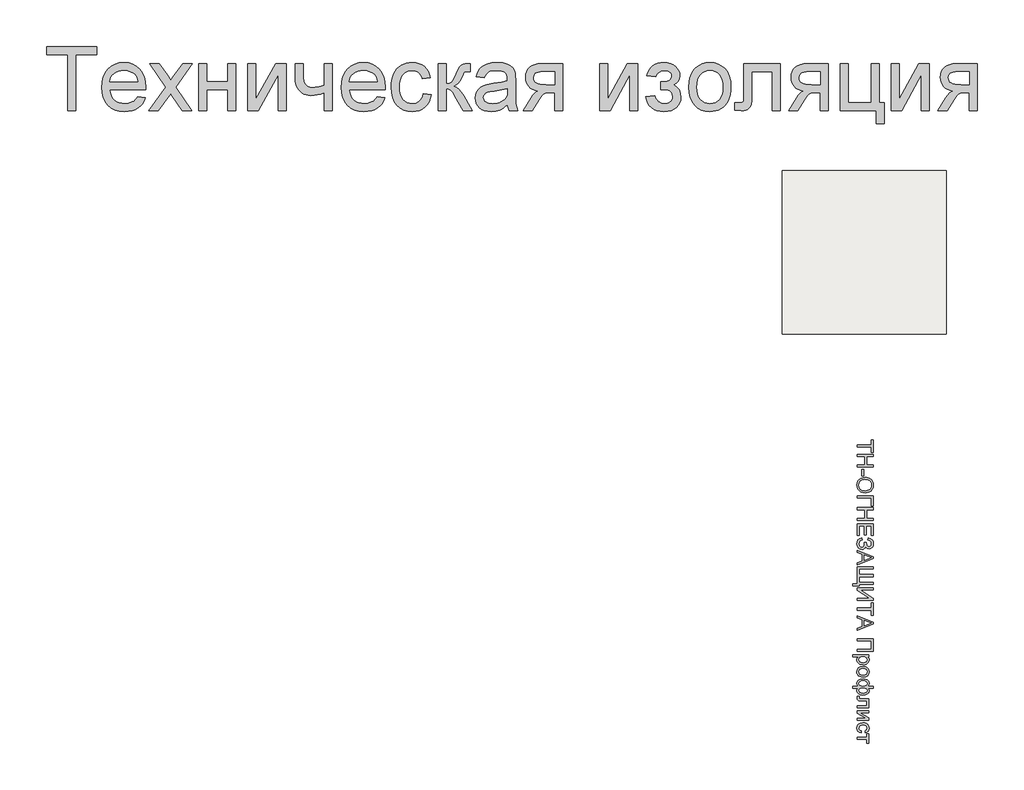
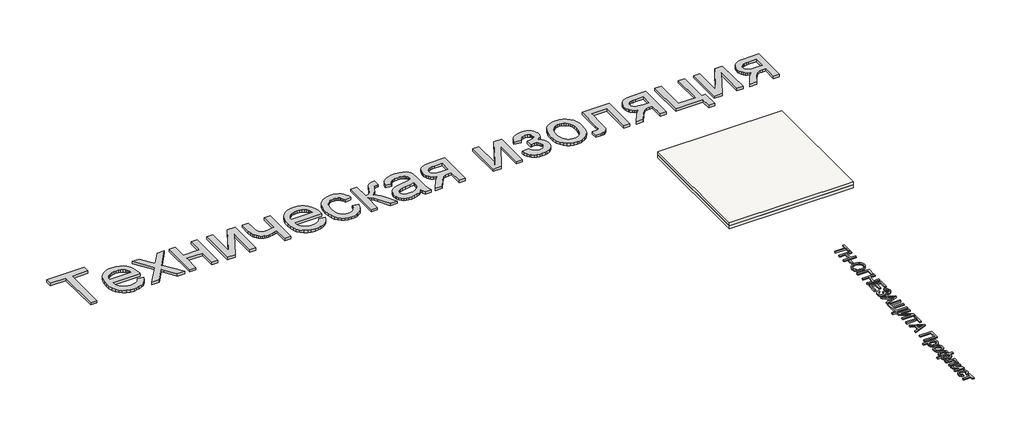
# One storey: 2 proxies, 2 slabs.
"""IFC4 building model written with IfcOpenShell, lengths in millimetres."""

from ifc_helpers import new_model, si_unit, frame, origin, origin_with_axes, place, context, project, spatial, polyline, outline, extrude, element, save

model = new_model("IFC4")

# Units and contexts
model_context = context("Model", 3, world=origin())
ifc_project = project(units=[si_unit("LENGTHUNIT", "METRE", prefix="MILLI")], contexts=[model_context])

# Site, building, storey
site = spatial("IfcSite", under=ifc_project)
building = spatial("IfcBuilding", under=site)
storey = spatial("IfcBuildingStorey", under=building, Elevation=0.0)

# Proxies
placement = place(None, origin())
element("IfcBuildingElementProxy", 1, Name="Generic Models", at=placement, inside=storey, context=model_context, shape_type="SweptSolid", body=[
    extrude(outline(polyline([(-2025.5706022, -33571.2968619), (-2025.5706022, -32885.7211043), (-2282.6615113, -32885.7211043), (-2282.6615113, -32787.7817103), (-1670.5402992, -32787.7817103), (-1670.5402992, -32885.7211043), (-1927.6312083, -32885.7211043), (-1927.6312083, -33571.2968619), (-2025.5706022, -33571.2968619)])), origin_with_axes(), (0.0, 0.0, 1.0), 40.0),
    extrude(outline(polyline([(-1169.7486325, -33399.9029225), (-1073.7221174, -33412.1453467), (-1088.4453063, -33450.6061658), (-1108.3213124, -33484.4999869), (-1133.3501358, -33513.8268098), (-1163.5317764, -33538.5866346), (-1198.5553915, -33558.2534196), (-1238.1101382, -33572.3011232), (-1282.1960165, -33580.7297454), (-1330.8130264, -33583.5392861), (-1391.5827944, -33578.6913339), (-1445.7292196, -33564.1474774), (-1493.252302, -33539.9077165), (-1534.1520416, -33505.9720513), (-1567.0416013, -33463.2849656), (-1590.5341439, -33412.7909433), (-1604.6296694, -33354.4899845), (-1609.328178, -33288.3820891), (-1604.5818475, -33220.0325389), (-1590.342856, -33159.7888126), (-1566.6112035, -33107.6509102), (-1533.3868901, -33063.6188316), (-1492.5947499, -33028.6370607), (-1446.1596174, -33003.6500816), (-1394.0814924, -32988.6578941), (-1336.3603749, -32983.6604982), (-1280.4983366, -32988.6459386), (-1229.9804033, -33003.6022596), (-1184.8065752, -33028.5294613), (-1144.9768522, -33063.4275437), (-1112.4638906, -33107.3639783), (-1089.2403465, -33159.4062369), (-1075.3062201, -33219.5543192), (-1070.6615113, -33287.8082255), (-1071.2353749, -33314.2059528), (-1511.388784, -33314.2059528), (-1505.7159029, -33353.2884575), (-1494.4358958, -33387.5170323), (-1477.5487627, -33416.8916772), (-1455.0545037, -33441.4123922), (-1428.19649, -33460.7444234), (-1398.2180927, -33474.5530172), (-1365.119312, -33482.8381734), (-1328.9001477, -33485.5998922), (-1276.7742007, -33480.4829414), (-1232.8736325, -33465.1320891), (-1214.0078655, -33453.3798401), (-1197.1984431, -33438.590896), (-1182.4453655, -33420.7652567), (-1169.7486325, -33399.9029225)]), holes=[polyline([(-1511.388784, -33216.2665588), (-1168.6009052, -33216.2665588), (-1173.6341675, -33188.5537274), (-1181.8475908, -33164.5231876), (-1193.2411751, -33144.1749395), (-1207.8149204, -33127.5089831), (-1234.5234905, -33107.4237558), (-1264.9143522, -33093.0771649), (-1298.9875056, -33084.4692103), (-1336.7429507, -33081.5998922), (-1371.1807466, -33083.889369), (-1402.7611799, -33090.7577994), (-1431.4842504, -33102.2051834), (-1457.3499583, -33118.231521), (-1479.0551548, -33138.0955716), (-1495.2966912, -33161.0560948), (-1506.0745676, -33187.1130906), (-1511.388784, -33216.2665588)])]), origin_with_axes(), (0.0, 0.0, 1.0), 40.0),
    extrude(outline(polyline([(-1033.9342386, -33571.2968619), (-824.6652992, -33282.0695891), (-1021.6918143, -32995.9029225), (-903.858481, -32995.9029225), (-808.7884052, -33133.6301952), (-764.4096174, -33198.668074), (-725.9607537, -33145.4900437), (-617.6918143, -32995.9029225), (-499.858481, -32995.9029225), (-706.8319658, -33282.0695891), (-507.5099961, -33571.2968619), (-625.3433295, -33571.2968619), (-745.2808295, -33397.41618), (-767.2789355, -33365.6623922), (-916.1009052, -33571.2968619), (-1033.9342386, -33571.2968619)])), origin_with_axes(), (0.0, 0.0, 1.0), 40.0),
    extrude(outline(polyline([(-421.8130264, -32995.9029225), (-323.8736325, -32995.9029225), (-323.8736325, -33216.2665588), (-66.7827234, -33216.2665588), (-66.7827234, -32995.9029225), (31.1566705, -32995.9029225), (31.1566705, -33571.2968619), (-66.7827234, -33571.2968619), (-66.7827234, -33314.2059528), (-323.8736325, -33314.2059528), (-323.8736325, -33571.2968619), (-421.8130264, -33571.2968619), (-421.8130264, -32995.9029225)])), origin_with_axes(), (0.0, 0.0, 1.0), 40.0),
    extrude(outline(polyline([(178.0657614, -32995.9029225), (276.0051554, -32995.9029225), (276.0051554, -33434.7173164), (516.6453069, -32995.9029225), (643.2778826, -32995.9029225), (643.2778826, -33571.2968619), (545.3384887, -33571.2968619), (545.3384887, -33135.1604982), (306.2286402, -33571.2968619), (178.0657614, -33571.2968619), (178.0657614, -32995.9029225)])), origin_with_axes(), (0.0, 0.0, 1.0), 40.0),
    extrude(outline(polyline([(753.4597008, -32995.9029225), (851.3990948, -32995.9029225), (851.3990948, -33106.2760285), (853.3837065, -33167.8229035), (859.3375417, -33209.762771), (872.8472482, -33239.8427899), (897.4994736, -33265.8101194), (913.5676554, -33276.2711753), (931.548716, -33283.7433581), (951.4426554, -33288.2266677), (973.2494736, -33289.7211043), (1001.2851033, -33287.868003), (1033.1704016, -33282.308699), (1108.4900039, -33260.0714831), (1108.4900039, -32995.9029225), (1206.4293978, -32995.9029225), (1206.4293978, -33571.2968619), (1108.4900039, -33571.2968619), (1108.4900039, -33353.9938316), (1065.9762728, -33368.7229982), (1024.8972008, -33379.2438316), (985.2527879, -33385.5563316), (947.0430342, -33387.6604982), (916.5027288, -33385.4666654), (887.8155247, -33378.8851668), (860.9814219, -33367.9160025), (836.0004205, -33352.5591725), (813.8767818, -33334.0221815), (795.6147671, -33313.5125342), (781.2143765, -33291.0302307), (770.6756099, -33266.575271), (757.7636781, -33213.1581308), (753.4597008, -33154.6718619), (753.4597008, -32995.9029225)])), origin_with_axes(), (0.0, 0.0, 1.0), 40.0),
    extrude(outline(polyline([(1756.1907614, -33399.9029225), (1852.2172766, -33412.1453467), (1837.4940877, -33450.6061658), (1817.6180815, -33484.4999869), (1792.5892581, -33513.8268098), (1762.4076175, -33538.5866346), (1727.3840024, -33558.2534196), (1687.8292557, -33572.3011232), (1643.7433774, -33580.7297454), (1595.1263675, -33583.5392861), (1534.3565995, -33578.6913339), (1480.2101743, -33564.1474774), (1432.6870919, -33539.9077165), (1391.7873523, -33505.9720513), (1358.8977927, -33463.2849656), (1335.4052501, -33412.7909433), (1321.3097245, -33354.4899845), (1316.611216, -33288.3820891), (1321.3575465, -33220.0325389), (1335.5965379, -33159.7888126), (1359.3281904, -33107.6509102), (1392.5525039, -33063.6188316), (1433.344644, -33028.6370607), (1479.7797766, -33003.6500816), (1531.8579016, -32988.6578941), (1589.579019, -32983.6604982), (1645.4410574, -32988.6459386), (1695.9589906, -33003.6022596), (1741.1328187, -33028.5294613), (1780.9625417, -33063.4275437), (1813.4755034, -33107.3639783), (1836.6990474, -33159.4062369), (1850.6331738, -33219.5543192), (1855.2778826, -33287.8082255), (1854.704019, -33314.2059528), (1414.5506099, -33314.2059528), (1420.2234911, -33353.2884575), (1431.5034982, -33387.5170323), (1448.3906312, -33416.8916772), (1470.8848902, -33441.4123922), (1497.7429039, -33460.7444234), (1527.7213012, -33474.5530172), (1560.820082, -33482.8381734), (1597.0392463, -33485.5998922), (1649.1651932, -33480.4829414), (1693.0657614, -33465.1320891), (1711.9315285, -33453.3798401), (1728.7409508, -33438.590896), (1743.4940285, -33420.7652567), (1756.1907614, -33399.9029225)]), holes=[polyline([(1414.5506099, -33216.2665588), (1757.3384887, -33216.2665588), (1752.3052264, -33188.5537274), (1744.0918031, -33164.5231876), (1732.6982188, -33144.1749395), (1718.1244736, -33127.5089831), (1691.4159035, -33107.4237558), (1661.0250417, -33093.0771649), (1626.9518883, -33084.4692103), (1589.1964432, -33081.5998922), (1554.7586473, -33083.889369), (1523.1782141, -33090.7577994), (1494.4551435, -33102.2051834), (1468.5894357, -33118.231521), (1446.8842392, -33138.0955716), (1430.6427027, -33161.0560948), (1419.8648263, -33187.1130906), (1414.5506099, -33216.2665588)])]), origin_with_axes(), (0.0, 0.0, 1.0), 40.0),
    extrude(outline(polyline([(2320.4900039, -33363.1756497), (2418.4293978, -33375.418074), (2407.777054, -33421.6320299), (2391.1230531, -33462.5257918), (2368.467395, -33498.0993595), (2339.8100796, -33528.3527331), (2306.3586118, -33552.49685), (2269.3204963, -33569.7426478), (2228.695733, -33580.0901265), (2184.484322, -33583.5392861), (2129.5548121, -33578.7272004), (2080.3041611, -33564.2909433), (2036.7323689, -33540.2305148), (1998.8394357, -33506.5459149), (1968.1676199, -33463.8707847), (1946.25918, -33412.8387653), (1933.1141161, -33353.4498567), (1928.7324281, -33285.7040588), (1930.6034627, -33240.6736966), (1936.2165664, -33198.5485191), (1945.5717392, -33159.3285262), (1958.6689811, -33123.0137179), (1975.5979584, -33090.3333794), (1996.4483372, -33062.0167956), (2021.2201175, -33038.0639665), (2049.9132993, -33018.4748922), (2081.2307117, -33003.2435948), (2113.8751838, -32992.3640967), (2147.8467155, -32985.8363978), (2183.1453069, -32983.6604982), (2226.5975441, -32986.6493713), (2265.9012254, -32995.6159906), (2301.0563509, -33010.5603562), (2332.0629205, -33031.4824679), (2358.3948926, -33057.9041062), (2379.5262254, -33089.3470513), (2395.4569191, -33125.8113031), (2406.1869736, -33167.2968619), (2308.2475796, -33179.5392861), (2300.6020422, -33156.6624513), (2290.4817179, -33136.8103562), (2277.8866066, -33119.9830006), (2262.8167084, -33106.1803846), (2245.654599, -33095.4264192), (2226.7828542, -33087.7450153), (2206.201474, -33083.1361729), (2183.9104584, -33081.5998922), (2150.6323452, -33084.6246317), (2120.6180815, -33093.6988505), (2093.8676672, -33108.8225484), (2070.3811023, -33129.9957255), (2051.2582922, -33157.7085569), (2037.5991421, -33192.4512179), (2029.4036521, -33234.2237085), (2026.671822, -33283.0260285), (2029.3438746, -33332.5636114), (2037.3600323, -33374.8202994), (2050.720295, -33409.7960924), (2069.4246629, -33437.4909906), (2092.4449636, -33458.5386351), (2118.7530247, -33473.5726668), (2148.3488462, -33482.5930858), (2181.2324281, -33485.5998922), (2207.7317771, -33483.7228799), (2231.947627, -33478.0918429), (2253.8799778, -33468.7067814), (2273.5288296, -33455.5676952), (2290.3442297, -33438.5311185), (2303.7762254, -33417.4535853), (2313.8248168, -33392.3350958), (2320.4900039, -33363.1756497)])), origin_with_axes(), (0.0, 0.0, 1.0), 40.0),
    extrude(outline(polyline([(2504.1263675, -32995.9029225), (2602.0657614, -32995.9029225), (2602.0657614, -33240.7514073), (2641.9014622, -33236.3517861), (2656.5469404, -33230.8522596), (2667.6775039, -33223.1529225), (2690.4885834, -33188.7211043), (2721.4293978, -33120.6226194), (2746.368555, -33064.9339357), (2766.0951175, -33032.1519755), (2784.5065758, -33014.2904698), (2805.5004205, -33003.3631497), (2834.5522671, -32997.7679793), (2877.1377311, -32995.9029225), (2895.8839432, -32995.9029225), (2895.8839432, -33094.41618), (2869.486216, -33093.8423164), (2838.8801554, -33096.4247028), (2821.6642463, -33104.1718619), (2807.7002311, -33125.7395702), (2787.9975796, -33168.635877), (2767.3145777, -33211.6039168), (2748.4966326, -33238.3603088), (2725.7094641, -33256.2218145), (2693.1187917, -33272.5051952), (2724.1552501, -33286.289878), (2754.9047766, -33310.619305), (2785.3673713, -33345.4934764), (2815.5430342, -33390.9123922), (2920.3687917, -33571.2968619), (2809.0392463, -33571.2968619), (2706.3176554, -33394.7381497), (2678.5809129, -33347.7530645), (2654.6699281, -33320.0402331), (2630.5198334, -33306.4827047), (2602.0657614, -33301.9635285), (2602.0657614, -33571.2968619), (2504.1263675, -33571.2968619), (2504.1263675, -32995.9029225)])), origin_with_axes(), (0.0, 0.0, 1.0), 40.0),
    extrude(outline(polyline([(3348.8536402, -33497.8423164), (3302.0598429, -33537.964949), (3278.1428803, -33552.8256261), (3253.8792084, -33564.2192103), (3203.2118315, -33578.7092672), (3148.9578069, -33583.5392861), (3105.3501483, -33580.6341014), (3067.1105057, -33571.9185475), (3034.2388793, -33557.3926242), (3006.735269, -33537.0563316), (2985.018117, -33512.2008628), (2969.5058656, -33484.1174111), (2960.1985147, -33452.8059764), (2957.0960645, -33418.2665588), (2961.7826175, -33377.6657066), (2975.8422766, -33340.7949679), (2997.5295398, -33309.2324679), (3025.0989054, -33284.5563316), (3057.4982898, -33265.9057634), (3093.6756099, -33252.4199679), (3178.4161402, -33237.6908013), (3278.5553448, -33222.1964831), (3348.2797766, -33204.0241346), (3348.8536402, -33182.2173164), (3347.1679158, -33158.4737085), (3342.1107425, -33138.5080361), (3333.6821203, -33122.3202994), (3321.8820493, -33109.9104982), (3301.4859792, -33097.5246081), (3276.642466, -33088.6775437), (3247.3515095, -33083.369305), (3213.6131099, -33081.5998922), (3155.2703069, -33086.3103562), (3132.6983372, -33092.1984362), (3114.5259887, -33100.4417482), (3099.5935787, -33111.6858888), (3086.7414243, -33126.5764547), (3075.9695256, -33145.1134457), (3067.2778826, -33167.2968619), (2969.3384887, -33155.0544376), (2986.3391989, -33101.4938316), (2997.9778708, -33079.0175058), (3011.7087539, -33059.4104982), (3028.123645, -33042.2782776), (3047.814341, -33027.2263126), (3070.7808419, -33014.2546033), (3097.0231478, -33003.3631497), (3157.2070967, -32988.5861611), (3226.2381099, -32983.6604982), (3292.447627, -32988.0122975), (3344.9322387, -33001.0676952), (3384.5049186, -33020.6986138), (3411.9786402, -33044.7769755), (3430.1988107, -33074.5461516), (3442.0108372, -33111.2495134), (3445.5974849, -33145.1074679), (3446.7930342, -33196.9464831), (3446.7930342, -33318.7968619), (3448.0364054, -33424.9377236), (3451.766519, -33488.94743), (3459.1311023, -33531.0068524), (3471.2778826, -33571.2968619), (3373.3384887, -33571.2968619), (3357.6528826, -33537.2476194), (3348.8536402, -33497.8423164)]), holes=[polyline([(3348.8536402, -33301.9635285), (3283.0506099, -33318.2708202), (3190.8498523, -33331.9957255), (3140.0390095, -33339.5037747), (3106.5875417, -33347.8726194), (3084.6611686, -33358.7282066), (3068.4256099, -33373.6964831), (3058.3829963, -33391.6297217), (3055.0354584, -33411.3801952), (3056.858671, -33426.599537), (3062.3283088, -33440.5037747), (3071.4443718, -33453.0929083), (3084.2068599, -33464.3669376), (3100.4962183, -33473.6563552), (3120.1928921, -33480.2916535), (3169.8081857, -33485.5998922), (3222.4123523, -33479.7417009), (3246.4189811, -33472.4189618), (3268.8953069, -33462.167127), (3306.579019, -33436.2715304), (3332.7854584, -33405.450271), (3344.406197, -33373.6964831), (3348.2797766, -33329.700271), (3348.8536402, -33301.9635285)])]), origin_with_axes(), (0.0, 0.0, 1.0), 40.0),
    extrude(outline(polyline([(4022.1869736, -32995.9029225), (4022.1869736, -33571.2968619), (3924.2475796, -33571.2968619), (3924.2475796, -33350.9332255), (3870.8782614, -33350.9332255), (3828.3167084, -33354.0416535), (3798.1888675, -33363.3669376), (3784.9541374, -33373.2541299), (3769.1609319, -33390.4819944), (3729.8990948, -33446.9597406), (3651.8536402, -33571.2968619), (3538.611216, -33571.2968619), (3636.9331857, -33414.0582255), (3659.0747576, -33381.9218619), (3680.3555342, -33357.6283013), (3700.7755152, -33341.1775437), (3720.3347008, -33332.5695891), (3684.3725796, -33324.6191867), (3653.3839432, -33312.0539641), (3627.3687917, -33294.8739215), (3606.3271251, -33273.0790588), (3590.0915664, -33248.0681687), (3578.4947387, -33221.2400437), (3571.5366421, -33192.5946838), (3569.2172766, -33162.1320891), (3572.3854821, -33126.8633865), (3581.8900986, -33095.0856876), (3597.731126, -33066.7989925), (3619.9085645, -33042.0033013), (3648.0876601, -33021.8343855), (3681.9336592, -33007.4280172), (3721.4465616, -32998.7841961), (3766.6263675, -32995.9029225), (4022.1869736, -32995.9029225)]), holes=[polyline([(3924.2475796, -33093.8423164), (3795.1282614, -33093.8423164), (3758.1798121, -33095.2590423), (3728.4405247, -33099.5092198), (3705.9103992, -33106.5928491), (3690.5894357, -33116.50993), (3673.0148618, -33141.1143335), (3667.1566705, -33169.5923164), (3669.3146369, -33189.6835214), (3675.7885361, -33206.9173638), (3686.578368, -33221.2938434), (3701.6841326, -33232.8129603), (3722.2774683, -33241.6420915), (3749.5300133, -33247.9486138), (3824.0127311, -33252.9938316), (3924.2475796, -33252.9938316), (3924.2475796, -33093.8423164)])]), origin_with_axes(), (0.0, 0.0, 1.0), 40.0),
    extrude(outline(polyline([(4475.1566705, -32995.9029225), (4573.0960645, -32995.9029225), (4573.0960645, -33434.7173164), (4813.736216, -32995.9029225), (4940.3687917, -32995.9029225), (4940.3687917, -33571.2968619), (4842.4293978, -33571.2968619), (4842.4293978, -33135.1604982), (4603.3195493, -33571.2968619), (4475.1566705, -33571.2968619), (4475.1566705, -32995.9029225)])), origin_with_axes(), (0.0, 0.0, 1.0), 40.0),
    extrude(outline(polyline([(5221.9445493, -33314.2059528), (5221.9445493, -33216.2665588), (5299.2248523, -33212.4408013), (5319.3100796, -33205.6261706), (5338.2475796, -33192.0686422), (5352.0203069, -33172.9637653), (5356.611216, -33149.5070891), (5355.0749352, -33134.7958557), (5350.4660929, -33121.6507918), (5342.784689, -33110.0718974), (5332.0307236, -33100.0591725), (5303.8874944, -33086.2147122), (5268.6187917, -33081.5998922), (5232.9675133, -33086.1908013), (5203.1026932, -33099.9635285), (5179.0243315, -33122.918074), (5160.7324281, -33155.0544376), (5050.5506099, -33142.8120134), (5063.2592984, -33105.510877), (5079.7698334, -33073.1832255), (5100.082215, -33045.8290588), (5124.1964432, -33023.448377), (5152.1125181, -33006.04118), (5183.8304395, -32993.6074679), (5219.3502075, -32986.1472406), (5258.671822, -32983.6604982), (5302.0941705, -32986.6912156), (5340.5430342, -32995.7833675), (5374.0184129, -33010.9369542), (5402.5203069, -33032.1519755), (5425.2835645, -33057.5753301), (5441.5430342, -33085.3539168), (5451.298716, -33115.4877354), (5454.5506099, -33147.9767861), (5449.9238343, -33180.1131497), (5436.0435076, -33208.8063316), (5412.9096298, -33234.0563316), (5380.5222008, -33255.8631497), (5418.3254679, -33283.0738505), (5445.2731478, -33316.8839831), (5461.4130626, -33357.3891914), (5466.7930342, -33404.6851194), (5463.3797411, -33442.6019637), (5453.1398618, -33476.7767388), (5436.0733964, -33507.2094447), (5412.1803448, -33533.9000816), (5382.1541255, -33555.6172335), (5346.6881573, -33571.129485), (5305.7824399, -33580.4368358), (5259.4369736, -33583.5392861), (5214.2631454, -33580.6699679), (5174.0986686, -33572.0620134), (5138.9435432, -33557.7154225), (5108.797769, -33537.6301952), (5083.6613462, -33511.8063316), (5063.5342747, -33480.2438316), (5048.4165545, -33442.9426952), (5038.3081857, -33399.9029225), (5148.4900039, -33387.6604982), (5155.340501, -33409.6825153), (5164.9885834, -33429.074324), (5177.434251, -33445.8359244), (5192.6775039, -33459.9673164), (5209.9173239, -33471.1815683), (5228.3526932, -33479.1917482), (5247.9836118, -33483.9978562), (5268.8100796, -33485.5998922), (5289.4213486, -33484.0636114), (5308.2153826, -33479.4547691), (5325.1921819, -33471.7733652), (5340.3517463, -33461.0193997), (5352.8213249, -33447.8743358), (5361.7281667, -33433.0196365), (5367.0722718, -33416.4553017), (5368.8536402, -33398.1813316), (5364.430108, -33370.588055), (5351.1595114, -33346.7248922), (5332.891519, -33328.8394755), (5313.4757993, -33319.1794376), (5285.3803921, -33315.0189263), (5241.0733372, -33313.6320891), (5221.9445493, -33314.2059528)])), origin_with_axes(), (0.0, 0.0, 1.0), 40.0),
    extrude(outline(polyline([(5564.7324281, -33283.5998922), (5570.0287112, -33209.0813079), (5576.6490652, -33175.6866287), (5585.9175607, -33144.8683581), (5597.8341977, -33116.6264961), (5612.3989764, -33090.9610427), (5629.6118966, -33067.871998), (5649.4729584, -33047.3593619), (5686.7980057, -33019.491109), (5727.9966326, -32999.5852141), (5773.0688391, -32987.6416772), (5822.0146251, -32983.6604982), (5876.0474731, -32988.5084504), (5924.9035929, -33003.0523069), (5968.5829844, -33027.2920678), (6007.0856478, -33061.2277331), (6038.5106596, -33103.7115754), (6060.9570967, -33153.5958675), (6074.4249589, -33210.8806095), (6078.9142463, -33275.5658013), (6076.9296345, -33327.9906355), (6070.9757993, -33374.5094566), (6061.0527406, -33415.1222643), (6047.1604584, -33449.8290588), (6029.4723074, -33479.8074561), (6008.1616421, -33506.2350721), (5983.2284627, -33529.1119068), (5954.672769, -33548.4379603), (5923.6064219, -33563.7947904), (5891.1412823, -33574.7639547), (5857.27735, -33581.3454532), (5822.0146251, -33583.5392861), (5767.1927146, -33578.7092672), (5717.8822861, -33564.2192103), (5674.0833396, -33540.0691156), (5635.7958751, -33506.2589831), (5604.705617, -33463.3626763), (5582.4982898, -33411.9540588), (5569.1738935, -33352.0331308), (5564.7324281, -33283.5998922)]), holes=[polyline([(5662.671822, -33283.4086043), (5665.5052737, -33330.9137534), (5674.0056289, -33372.0466251), (5688.1728874, -33406.8072193), (5708.0070493, -33435.1955361), (5732.133233, -33457.2474419), (5759.1765569, -33472.9988031), (5789.1370209, -33482.4496199), (5822.0146251, -33485.5998922), (5854.7248523, -33482.4316867), (5884.5657614, -33472.9270702), (5911.5373523, -33457.0860427), (5935.6396251, -33434.9086043), (5955.473787, -33406.2393335), (5969.6410455, -33370.9228088), (5978.1414006, -33328.9590304), (5980.9748523, -33280.3479982), (5978.1234674, -33234.3492411), (5969.5693126, -33194.2923638), (5955.3123879, -33160.1773661), (5935.3526932, -33132.0042482), (5911.1607543, -33109.9523424), (5884.2070967, -33094.2009812), (5854.4917202, -33084.7501644), (5822.0146251, -33081.5998922), (5789.1370209, -33084.7382089), (5759.1765569, -33094.1531592), (5732.133233, -33109.844743), (5708.0070493, -33131.8129603), (5688.1728874, -33160.1175887), (5674.0056289, -33194.8184054), (5665.5052737, -33235.9154106), (5662.671822, -33283.4086043)])]), origin_with_axes(), (0.0, 0.0, 1.0), 40.0),
    extrude(outline(polyline([(6238.0657614, -32995.9029225), (6678.7930342, -32995.9029225), (6678.7930342, -33570.7229982), (6580.8536402, -33570.7229982), (6580.8536402, -33093.8423164), (6336.0051554, -33093.8423164), (6336.0051554, -33368.3404225), (6334.3552974, -33448.011824), (6329.4057236, -33494.9729982), (6317.0437444, -33523.6422691), (6293.1566705, -33548.4379603), (6276.682002, -33558.4387298), (6256.9076175, -33565.5821365), (6233.8335171, -33569.8681805), (6207.4597008, -33571.2968619), (6127.8839432, -33566.323377), (6127.8839432, -33473.3574679), (6171.6888675, -33473.3574679), (6198.2539717, -33471.8510759), (6215.9720114, -33467.3318997), (6227.0427974, -33459.5369187), (6233.6661402, -33448.2031119), (6236.9658561, -33420.2989925), (6238.0657614, -33362.793074), (6238.0657614, -32995.9029225)])), origin_with_axes(), (0.0, 0.0, 1.0), 40.0),
    extrude(outline(polyline([(7266.4293978, -32995.9029225), (7266.4293978, -33571.2968619), (7168.4900039, -33571.2968619), (7168.4900039, -33350.9332255), (7115.1206857, -33350.9332255), (7072.5591326, -33354.0416535), (7042.4312917, -33363.3669376), (7029.1965616, -33373.2541299), (7013.4033561, -33390.4819944), (6974.141519, -33446.9597406), (6896.0960645, -33571.2968619), (6782.8536402, -33571.2968619), (6881.1756099, -33414.0582255), (6903.3171819, -33381.9218619), (6924.5979584, -33357.6283013), (6945.0179395, -33341.1775437), (6964.5771251, -33332.5695891), (6928.6150039, -33324.6191867), (6897.6263675, -33312.0539641), (6871.611216, -33294.8739215), (6850.5695493, -33273.0790588), (6834.3339906, -33248.0681687), (6822.7371629, -33221.2400437), (6815.7790664, -33192.5946838), (6813.4597008, -33162.1320891), (6816.6279063, -33126.8633865), (6826.1325228, -33095.0856876), (6841.9735503, -33066.7989925), (6864.1509887, -33042.0033013), (6892.3300843, -33021.8343855), (6926.1760834, -33007.4280172), (6965.6889859, -32998.7841961), (7010.8687917, -32995.9029225), (7266.4293978, -32995.9029225)]), holes=[polyline([(7168.4900039, -33093.8423164), (7039.3706857, -33093.8423164), (7002.4222363, -33095.2590423), (6972.6829489, -33099.5092198), (6950.1528235, -33106.5928491), (6934.8318599, -33116.50993), (6917.2572861, -33141.1143335), (6911.3990948, -33169.5923164), (6913.5570611, -33189.6835214), (6920.0309603, -33206.9173638), (6930.8207922, -33221.2938434), (6945.9265569, -33232.8129603), (6966.5198926, -33241.6420915), (6993.7724376, -33247.9486138), (7068.2551554, -33252.9938316), (7168.4900039, -33252.9938316), (7168.4900039, -33093.8423164)])]), origin_with_axes(), (0.0, 0.0, 1.0), 40.0),
    extrude(outline(polyline([(7413.3384887, -32995.9029225), (7511.2778826, -32995.9029225), (7511.2778826, -33473.3574679), (7792.8536402, -33473.3574679), (7792.8536402, -32995.9029225), (7890.7930342, -32995.9029225), (7890.7930342, -33473.3574679), (7952.0051554, -33473.3574679), (7952.0051554, -33730.448377), (7854.0657614, -33730.448377), (7854.0657614, -33571.2968619), (7413.3384887, -33571.2968619), (7413.3384887, -32995.9029225)])), origin_with_axes(), (0.0, 0.0, 1.0), 40.0),
    extrude(outline(polyline([(8037.7021251, -32995.9029225), (8135.641519, -32995.9029225), (8135.641519, -33434.7173164), (8376.2816705, -32995.9029225), (8502.9142463, -32995.9029225), (8502.9142463, -33571.2968619), (8404.9748523, -33571.2968619), (8404.9748523, -33135.1604982), (8165.8650039, -33571.2968619), (8037.7021251, -33571.2968619), (8037.7021251, -32995.9029225)])), origin_with_axes(), (0.0, 0.0, 1.0), 40.0),
    extrude(outline(polyline([(9090.5506099, -32995.9029225), (9090.5506099, -33571.2968619), (8992.611216, -33571.2968619), (8992.611216, -33350.9332255), (8939.2418978, -33350.9332255), (8896.6803448, -33354.0416535), (8866.5525039, -33363.3669376), (8853.3177737, -33373.2541299), (8837.5245682, -33390.4819944), (8798.2627311, -33446.9597406), (8720.2172766, -33571.2968619), (8606.9748523, -33571.2968619), (8705.296822, -33414.0582255), (8727.438394, -33381.9218619), (8748.7191705, -33357.6283013), (8769.1391516, -33341.1775437), (8788.6983372, -33332.5695891), (8752.736216, -33324.6191867), (8721.7475796, -33312.0539641), (8695.7324281, -33294.8739215), (8674.6907614, -33273.0790588), (8658.4552027, -33248.0681687), (8646.8583751, -33221.2400437), (8639.9002785, -33192.5946838), (8637.5809129, -33162.1320891), (8640.7491184, -33126.8633865), (8650.2537349, -33095.0856876), (8666.0947624, -33066.7989925), (8688.2722008, -33042.0033013), (8716.4512965, -33021.8343855), (8750.2972955, -33007.4280172), (8789.810198, -32998.7841961), (8834.9900039, -32995.9029225), (9090.5506099, -32995.9029225)]), holes=[polyline([(8992.611216, -33093.8423164), (8863.4918978, -33093.8423164), (8826.5434485, -33095.2590423), (8796.8041611, -33099.5092198), (8774.2740356, -33106.5928491), (8758.953072, -33116.50993), (8741.3784982, -33141.1143335), (8735.5203069, -33169.5923164), (8737.6782733, -33189.6835214), (8744.1521724, -33206.9173638), (8754.9420043, -33221.2938434), (8770.047769, -33232.8129603), (8790.6411047, -33241.6420915), (8817.8936497, -33247.9486138), (8892.3763675, -33252.9938316), (8992.611216, -33252.9938316), (8992.611216, -33093.8423164)])]), origin_with_axes(), (0.0, 0.0, 1.0), 40.0),
])
element("IfcBuildingElementProxy", 2, Name="Generic Models", at=placement, inside=storey, context=model_context, shape_type="SweptSolid", body=[
    extrude(outline(polyline([(7619.5520286, -37659.3593778), (7791.8597209, -37659.3593778), (7791.8597209, -37594.7439932), (7816.4751055, -37594.7439932), (7816.4751055, -37748.590147), (7791.8597209, -37748.590147), (7791.8597209, -37683.9747624), (7619.5520286, -37683.9747624), (7619.5520286, -37659.3593778)])), origin_with_axes(), (0.0, 0.0, 1.0), 20.0),
    extrude(outline(polyline([(7619.5520286, -37776.2824547), (7816.4751055, -37776.2824547), (7816.4751055, -37800.8978393), (7736.4751055, -37800.8978393), (7736.4751055, -37905.5132239), (7816.4751055, -37905.5132239), (7816.4751055, -37930.1286085), (7619.5520286, -37930.1286085), (7619.5520286, -37905.5132239), (7711.8597209, -37905.5132239), (7711.8597209, -37800.8978393), (7619.5520286, -37800.8978393), (7619.5520286, -37776.2824547)])), origin_with_axes(), (0.0, 0.0, 1.0), 20.0),
    extrude(outline(polyline([(7678.0135671, -37957.8209162), (7702.6289517, -37957.8209162), (7702.6289517, -38034.7439932), (7678.0135671, -38034.7439932), (7678.0135671, -37957.8209162)])), origin_with_axes(), (0.0, 0.0, 1.0), 20.0),
    extrude(outline(polyline([(7715.4174132, -38056.2824547), (7738.51537, -38057.9230797), (7758.9630863, -38062.8449547), (7776.7605623, -38071.0480797), (7791.9077978, -38082.5324547), (7804.0021488, -38096.6099787), (7812.6409709, -38112.5925508), (7817.8242642, -38130.480171), (7819.5520286, -38150.2728393), (7816.3068363, -38176.1021662), (7806.5712594, -38199.2632239), (7791.030394, -38218.4939932), (7770.3693363, -38232.5324547), (7745.5856825, -38241.1141855), (7717.6770286, -38243.9747624), (7689.3957786, -38240.9639451), (7664.2635671, -38231.9314932), (7643.5664517, -38217.3762047), (7628.5904902, -38197.7968778), (7619.5039517, -38174.8341374), (7616.4751055, -38150.1286085), (7619.8224613, -38123.902647), (7629.8645286, -38100.6093778), (7645.6938555, -38081.4266855), (7666.4029902, -38067.5324547), (7690.2311152, -38059.0949547), (7715.4174132, -38056.2824547)]), holes=[polyline([(7715.1770286, -38080.8978393), (7684.3717402, -38085.8197143), (7660.8981825, -38100.5853393), (7646.0424132, -38122.7788489), (7641.0904902, -38149.9843778), (7646.0904902, -38177.5865412), (7661.0904902, -38199.8161085), (7672.139168, -38208.3662888), (7685.2852017, -38214.4735605), (7717.8693363, -38219.3593778), (7739.6602017, -38217.2680316), (7758.4943363, -38210.9939932), (7773.8969805, -38200.699522), (7785.3933748, -38186.5468778), (7792.5508267, -38169.4735605), (7794.936644, -38150.4170701), (7790.3392882, -38123.9387047), (7776.5472209, -38101.4266855), (7765.8155502, -38092.4453153), (7752.0099613, -38086.0300508), (7715.1770286, -38080.8978393)])]), origin_with_axes(), (0.0, 0.0, 1.0), 20.0),
    extrude(outline(polyline([(7816.4751055, -38280.8978393), (7816.4751055, -38403.9747624), (7791.8597209, -38403.9747624), (7791.8597209, -38305.5132239), (7619.5520286, -38305.5132239), (7619.5520286, -38280.8978393), (7816.4751055, -38280.8978393)])), origin_with_axes(), (0.0, 0.0, 1.0), 20.0),
    extrude(outline(polyline([(7619.5520286, -38425.5132239), (7816.4751055, -38425.5132239), (7816.4751055, -38450.1286085), (7736.4751055, -38450.1286085), (7736.4751055, -38554.7439932), (7816.4751055, -38554.7439932), (7816.4751055, -38579.3593778), (7619.5520286, -38579.3593778), (7619.5520286, -38554.7439932), (7711.8597209, -38554.7439932), (7711.8597209, -38450.1286085), (7619.5520286, -38450.1286085), (7619.5520286, -38425.5132239)])), origin_with_axes(), (0.0, 0.0, 1.0), 20.0),
    extrude(outline(polyline([(7619.5520286, -38622.4363008), (7816.4751055, -38622.4363008), (7816.4751055, -38763.9747624), (7791.8597209, -38763.9747624), (7791.8597209, -38647.0516855), (7733.3981825, -38647.0516855), (7733.3981825, -38757.8209162), (7708.7827978, -38757.8209162), (7708.7827978, -38647.0516855), (7644.1674132, -38647.0516855), (7644.1674132, -38767.0516855), (7619.5520286, -38767.0516855), (7619.5520286, -38622.4363008)])), origin_with_axes(), (0.0, 0.0, 1.0), 20.0),
    extrude(outline(polyline([(7674.936644, -38794.7439932), (7681.0904902, -38819.3593778), (7667.7671728, -38824.5576951), (7654.4318363, -38834.4795701), (7644.4258267, -38848.7644258), (7641.0904902, -38867.0516855), (7643.5964998, -38885.5793297), (7651.1145286, -38899.7199547), (7662.1782305, -38908.6802912), (7675.3212594, -38911.6670701), (7689.0892882, -38908.4038489), (7699.7202978, -38898.6141855), (7706.5171728, -38883.199522), (7708.7827978, -38863.0613008), (7708.7827978, -38850.1286085), (7733.3981825, -38850.1286085), (7735.3933748, -38877.9891855), (7738.9390478, -38887.0697143), (7745.5856825, -38895.0324547), (7754.3416921, -38900.5853393), (7764.2154902, -38902.4363008), (7775.8080382, -38899.9723585), (7785.7779902, -38892.5805316), (7792.6469805, -38880.9819739), (7794.936644, -38865.8978393), (7793.1758267, -38852.262022), (7787.8933748, -38840.777647), (7779.702269, -38831.9795701), (7769.2154902, -38826.402647), (7751.8597209, -38822.4363008), (7758.0135671, -38797.8209162), (7784.936644, -38805.4681518), (7804.1674132, -38819.3233201), (7815.7058748, -38839.386421), (7819.5520286, -38865.6574547), (7815.5556344, -38891.0000028), (7803.5664517, -38910.4891855), (7786.2287113, -38922.9110605), (7766.186644, -38927.0516855), (7753.232918, -38925.4411085), (7741.8236632, -38920.6093778), (7731.9588796, -38912.5564932), (7723.6385671, -38901.2824547), (7717.3344805, -38914.9723585), (7706.6914517, -38926.2343778), (7692.6229421, -38933.7704355), (7676.0424132, -38936.2824547), (7652.7311152, -38931.4627432), (7633.5664517, -38917.0036085), (7620.7479421, -38894.5877432), (7616.4751055, -38865.8978393), (7620.1289517, -38840.933897), (7631.0904902, -38820.7536085), (7649.3597209, -38805.3569739), (7674.936644, -38794.7439932)])), origin_with_axes(), (0.0, 0.0, 1.0), 20.0),
    extrude(outline(polyline([(7619.5520286, -38947.1959162), (7816.4751055, -39025.8016855), (7816.4751055, -39046.7632239), (7619.5520286, -39125.3689932), (7619.5520286, -39099.3593778), (7681.0904902, -39076.8113008), (7681.0904902, -38995.7055316), (7619.5520286, -38973.2055316), (7619.5520286, -38947.1959162)]), holes=[polyline([(7705.7058748, -39004.7439932), (7705.7058748, -39067.8209162), (7754.1193363, -39050.0805316), (7791.8597209, -39036.2824547), (7758.3501055, -39024.0228393), (7705.7058748, -39004.7439932)])]), origin_with_axes(), (0.0, 0.0, 1.0), 20.0),
    extrude(outline(polyline([(7816.4751055, -39148.590147), (7816.4751055, -39173.2055316), (7644.1674132, -39173.2055316), (7644.1674132, -39243.9747624), (7816.4751055, -39243.9747624), (7816.4751055, -39268.590147), (7644.1674132, -39268.590147), (7644.1674132, -39339.3593778), (7816.4751055, -39339.3593778), (7816.4751055, -39363.9747624), (7644.1674132, -39363.9747624), (7644.1674132, -39382.4363008), (7564.1674132, -39382.4363008), (7564.1674132, -39357.8209162), (7619.5520286, -39357.8209162), (7619.5520286, -39148.590147), (7816.4751055, -39148.590147)])), origin_with_axes(), (0.0, 0.0, 1.0), 20.0),
    extrude(outline(polyline([(7816.4751055, -39407.0516855), (7816.4751055, -39431.6670701), (7660.5135671, -39431.6670701), (7816.4751055, -39534.7439932), (7816.4751055, -39560.8978393), (7619.5520286, -39560.8978393), (7619.5520286, -39536.2824547), (7775.0808748, -39536.2824547), (7619.5520286, -39433.4459162), (7619.5520286, -39407.0516855), (7816.4751055, -39407.0516855)])), origin_with_axes(), (0.0, 0.0, 1.0), 20.0),
    extrude(outline(polyline([(7619.5520286, -39653.2055316), (7791.8597209, -39653.2055316), (7791.8597209, -39588.590147), (7816.4751055, -39588.590147), (7816.4751055, -39742.4363008), (7791.8597209, -39742.4363008), (7791.8597209, -39677.8209162), (7619.5520286, -39677.8209162), (7619.5520286, -39653.2055316)])), origin_with_axes(), (0.0, 0.0, 1.0), 20.0),
    extrude(outline(polyline([(7619.5520286, -39747.1959162), (7816.4751055, -39825.8016855), (7816.4751055, -39846.7632239), (7619.5520286, -39925.3689932), (7619.5520286, -39899.3593778), (7681.0904902, -39876.8113008), (7681.0904902, -39795.7055316), (7619.5520286, -39773.2055316), (7619.5520286, -39747.1959162)]), holes=[polyline([(7705.7058748, -39804.7439932), (7705.7058748, -39867.8209162), (7754.1193363, -39850.0805316), (7791.8597209, -39836.2824547), (7758.3501055, -39824.0228393), (7705.7058748, -39804.7439932)])]), origin_with_axes(), (0.0, 0.0, 1.0), 20.0),
    extrude(outline(polyline([(7816.4751055, -40028.590147), (7816.4751055, -40182.4363008), (7619.5520286, -40182.4363008), (7619.5520286, -40157.8209162), (7791.8597209, -40157.8209162), (7791.8597209, -40053.2055316), (7619.5520286, -40053.2055316), (7619.5520286, -40028.590147), (7816.4751055, -40028.590147)])), origin_with_axes(), (0.0, 0.0, 1.0), 20.0),
    extrude(outline(polyline([(7564.1674132, -40222.4363008), (7764.1674132, -40222.4363008), (7764.1674132, -40247.0516855), (7740.0327978, -40247.0516855), (7760.4414517, -40264.0709162), (7765.5436152, -40274.5516855), (7767.2443363, -40287.0516855), (7764.8645286, -40303.6983201), (7757.7251055, -40318.2536085), (7746.2587594, -40330.1045701), (7730.8981825, -40338.6382239), (7712.7611632, -40343.7944739), (7692.9654902, -40345.5132239), (7671.9138075, -40343.5721182), (7653.0856825, -40337.7488008), (7637.436644, -40328.2295701), (7625.9222209, -40315.2007239), (7618.8368844, -40300.0264451), (7616.4751055, -40284.0709162), (7618.0556344, -40272.7548105), (7622.7972209, -40262.652647), (7638.7827978, -40247.0516855), (7564.1674132, -40247.0516855), (7564.1674132, -40222.4363008)]), holes=[polyline([(7690.7058748, -40247.0516855), (7668.6385671, -40249.7139451), (7653.2058748, -40257.7007239), (7644.1193363, -40269.4855797), (7641.0904902, -40283.5420701), (7644.2275094, -40297.8269258), (7653.6385671, -40309.9122624), (7669.6361632, -40318.1514451), (7692.5327978, -40320.8978393), (7714.4799132, -40318.2175508), (7730.1289517, -40310.1766855), (7739.5039517, -40298.4098585), (7742.6289517, -40284.5516855), (7739.3056344, -40270.6394258), (7729.3356825, -40258.4218778), (7713.0315959, -40249.8942335), (7690.7058748, -40247.0516855)])]), origin_with_axes(), (0.0, 0.0, 1.0), 20.0),
    extrude(outline(polyline([(7691.8597209, -40367.0516855), (7726.7275094, -40372.3762047), (7740.2761873, -40379.0318537), (7751.2347209, -40388.3497624), (7763.2419325, -40408.0853393), (7767.2443363, -40431.715147), (7762.3705382, -40457.574522), (7747.749144, -40478.2295701), (7724.5339998, -40491.7692335), (7693.8789517, -40496.2824547), (7669.0111632, -40494.2872624), (7650.0808748, -40488.3016855), (7635.9041921, -40478.5000028), (7625.2972209, -40465.0564932), (7618.6806344, -40449.0889451), (7616.4751055, -40431.715147), (7621.3308748, -40405.543272), (7635.8981825, -40384.9122624), (7659.6001055, -40371.5168297), (7691.8597209, -40367.0516855)]), holes=[polyline([(7691.9077978, -40391.6670701), (7669.6301536, -40394.5156278), (7653.7587594, -40403.0613008), (7644.2575575, -40415.9218778), (7641.0904902, -40431.715147), (7644.2755863, -40447.4363008), (7653.8308748, -40460.2728393), (7669.9126055, -40468.8185124), (7692.6770286, -40471.6670701), (7714.3056344, -40468.8004835), (7729.9606825, -40460.2007239), (7739.4618844, -40447.3461566), (7742.6289517, -40431.715147), (7739.4739036, -40415.9218778), (7730.0087594, -40403.0613008), (7714.1734228, -40394.5156278), (7691.9077978, -40391.6670701)])]), origin_with_axes(), (0.0, 0.0, 1.0), 20.0),
    extrude(outline(polyline([(7816.4751055, -40607.0516855), (7816.4751055, -40631.6670701), (7750.2731825, -40631.6670701), (7763.0376055, -40647.3161085), (7767.2443363, -40665.6574547), (7761.8957786, -40687.2019258), (7745.8501055, -40703.7584162), (7721.6914517, -40714.3052912), (7692.0039517, -40717.8209162), (7661.4089998, -40714.0348585), (7637.3164517, -40702.6766855), (7621.6854421, -40685.6935124), (7616.4751055, -40665.0324547), (7618.8789517, -40649.9843778), (7632.0039517, -40631.6670701), (7564.1674132, -40631.6670701), (7564.1674132, -40607.0516855), (7632.0039517, -40607.0516855), (7620.3693363, -40591.3305316), (7616.4751055, -40572.7247624), (7621.4510671, -40552.0997624), (7636.3789517, -40534.2632239), (7660.5736632, -40521.9314932), (7693.3501055, -40517.8209162), (7722.2082786, -40521.5408682), (7745.9943363, -40532.7007239), (7761.9318363, -40550.1466374), (7767.2443363, -40572.7247624), (7763.0376055, -40591.7872624), (7750.2731825, -40607.0516855), (7816.4751055, -40607.0516855)]), holes=[polyline([(7691.4270286, -40631.5228393), (7666.5051536, -40633.5721182), (7651.3549132, -40639.7199547), (7643.6565959, -40648.9567335), (7641.0904902, -40660.2728393), (7644.2455382, -40672.9230797), (7653.7106825, -40683.5661085), (7669.8224613, -40690.7956758), (7692.9174132, -40693.2055316), (7714.8164517, -40690.9819739), (7730.3212594, -40684.3113008), (7739.5520286, -40674.1550508), (7742.6289517, -40661.4747624), (7739.4258267, -40648.4158682), (7729.8164517, -40639.0468778), (7713.8128459, -40633.4038489), (7691.4270286, -40631.5228393)]), polyline([(7693.8789517, -40542.4363008), (7669.7323171, -40544.9002432), (7653.4462594, -40552.2920701), (7644.1794325, -40563.3377432), (7641.0904902, -40576.7632239), (7644.1614036, -40590.1225989), (7653.374144, -40599.6238008), (7668.7287113, -40605.3028874), (7690.2251055, -40607.1959162), (7713.1517882, -40605.2067335), (7729.5279902, -40599.2391855), (7739.3537113, -40589.2572143), (7742.6289517, -40575.2247624), (7739.4318363, -40562.0516855), (7729.8404902, -40551.5709162), (7714.4558748, -40544.7199547), (7693.8789517, -40542.4363008)])]), origin_with_axes(), (0.0, 0.0, 1.0), 20.0),
    extrude(outline(polyline([(7764.1674132, -40760.8978393), (7764.1674132, -40871.6670701), (7619.6962594, -40871.6670701), (7619.6962594, -40847.0516855), (7739.5520286, -40847.0516855), (7739.5520286, -40785.5132239), (7670.561644, -40785.5132239), (7638.7347209, -40783.8545701), (7625.2972209, -40774.7439932), (7620.9883267, -40765.6334162), (7619.5520286, -40753.2055316), (7620.8020286, -40733.2055316), (7644.1674132, -40733.2055316), (7644.1674132, -40744.215147), (7645.6818363, -40755.3449547), (7650.4895286, -40759.7920701), (7671.9558748, -40760.8978393), (7764.1674132, -40760.8978393)])), origin_with_axes(), (0.0, 0.0, 1.0), 20.0),
    extrude(outline(polyline([(7764.1674132, -40908.590147), (7764.1674132, -40933.2055316), (7653.8789517, -40933.2055316), (7764.1674132, -40993.6863008), (7764.1674132, -41025.5132239), (7619.5520286, -41025.5132239), (7619.5520286, -41000.8978393), (7729.1674132, -41000.8978393), (7619.5520286, -40940.8016855), (7619.5520286, -40908.590147), (7764.1674132, -40908.590147)])), origin_with_axes(), (0.0, 0.0, 1.0), 20.0),
    extrude(outline(polyline([(7671.8597209, -41154.7439932), (7668.7827978, -41179.3593778), (7646.889769, -41172.496397), (7630.3452978, -41159.5997624), (7619.9426536, -41141.8834162), (7616.4751055, -41120.5613008), (7621.3128459, -41094.3774066), (7635.8260671, -41073.902647), (7659.3777498, -41060.6875028), (7691.3308748, -41056.2824547), (7713.2359228, -41058.1634643), (7732.2202978, -41063.8064932), (7747.5508267, -41073.3016855), (7758.4943363, -41086.7391855), (7765.0568363, -41102.8149066), (7767.2443363, -41120.2247624), (7764.2395286, -41141.0240412), (7755.2251055, -41157.652647), (7740.6818363, -41169.5817335), (7721.0904902, -41176.2824547), (7718.0135671, -41151.6670701), (7728.7527498, -41147.2019258), (7736.4510671, -41140.2488008), (7741.0844805, -41131.1923105), (7742.6289517, -41120.4170701), (7739.5880863, -41104.5096182), (7730.4654902, -41091.8834162), (7714.7683748, -41083.6442335), (7692.0039517, -41080.8978393), (7668.9330382, -41083.5841374), (7653.1818363, -41091.6430316), (7644.1133267, -41104.0408682), (7641.0904902, -41119.7439932), (7642.9775094, -41132.4903874), (7648.6385671, -41142.9411085), (7658.217894, -41150.543272), (7671.8597209, -41154.7439932)])), origin_with_axes(), (0.0, 0.0, 1.0), 20.0),
    extrude(outline(polyline([(7764.1674132, -41188.590147), (7764.1674132, -41305.5132239), (7739.5520286, -41305.5132239), (7739.5520286, -41259.3593778), (7619.5520286, -41259.3593778), (7619.5520286, -41234.7439932), (7739.5520286, -41234.7439932), (7739.5520286, -41188.590147), (7764.1674132, -41188.590147)])), origin_with_axes(), (0.0, 0.0, 1.0), 20.0),
])

# Slabs
element("IfcSlab", 3, at=placement, inside=storey, context=model_context, shape_type="SweptSolid", body=[
    extrude(outline(polyline([(8706.3955952, -36302.6148653), (6706.3955952, -36302.6148653), (6706.3955952, -34302.6148653), (8706.3955952, -34302.6148653), (8706.3955952, -36302.6148653)])), frame((0.0, 0.0, -50.0), z_axis=(0.0, 0.0, 1.0), x_axis=(1.0, 0.0, 0.0)), (0.0, 0.0, 1.0), 50.0),
])
element("IfcSlab", 4, at=placement, inside=storey, context=model_context, shape_type="SweptSolid", body=[
    extrude(outline(polyline([(8706.3955952, -34302.6148653), (8706.3955952, -36302.6148653), (6706.3955952, -36302.6148653), (6706.3955952, -34302.6148653), (8706.3955952, -34302.6148653)])), frame((0.0, 0.0, -100.0), z_axis=(0.0, 0.0, 1.0), x_axis=(1.0, 0.0, 0.0)), (0.0, 0.0, 1.0), 50.0),
])

save(model, "model.ifc")
